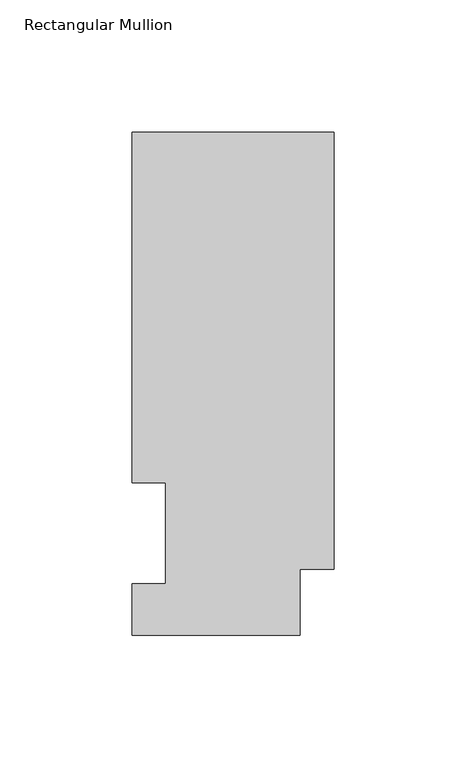
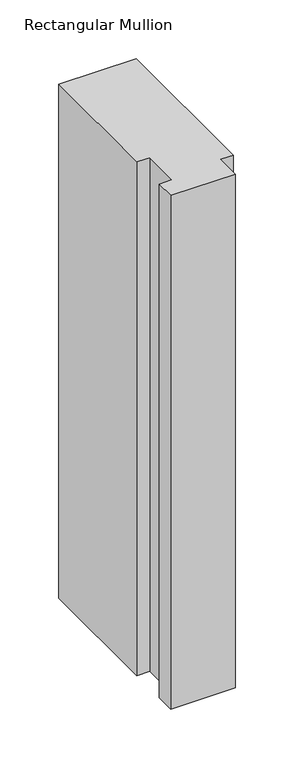
"""IFC4 building model written with IfcOpenShell, lengths in millimetres: member geometry, Rectangular Mullion."""

from ifc_helpers import new_model, si_unit, frame, origin, place, context, project, spatial, polyline, outline, extrude, source, transform, mapped, element, save


def rectangular_mullion_09bf845b(model_context):
    return source(origin(), model_context, "Body", "SweptSolid", [
        extrude(outline(polyline([(0.0, 190.0816937), (0.0, 25.0832937), (-12.7, 25.0832937), (-12.7, 0.0134937), (-76.2, 0.0134937), (-76.2, 19.5460937), (-63.5, 19.5460937), (-63.5, 57.6460937), (-76.2, 57.6460937), (-76.2, 190.0816937), (0.0, 190.0816937)])), frame((0.0, 0.0, -533.4134937), z_axis=(0.0, 0.0, 1.0), x_axis=(1.0, 0.0, 0.0)), (0.0, 0.0, 1.0), 533.4134937),
    ])


if __name__ == "__main__":
    model = new_model("IFC4")
    model_context = context("Model", 3, world=origin())
    ifc_project = project(units=[si_unit("LENGTHUNIT", "METRE", prefix="MILLI")], contexts=[model_context])
    site = spatial("IfcSite", under=ifc_project)
    building = spatial("IfcBuilding", under=site)
    placement = place(None, origin())
    rectangular_mullion_shape = rectangular_mullion_09bf845b(model_context)
    element("IfcMember", 1, ObjectType="Rectangular Mullion", at=placement, inside=building, context=model_context, shape_type="MappedRepresentation", body=[
        mapped(rectangular_mullion_shape, transform((0.0, 0.0, 0.0), x_axis=(1.0, 0.0, 0.0), y_axis=(0.0, 1.0, 0.0), z_axis=(0.0, 0.0, 1.0))),
    ])
    save(model, "model.ifc")
